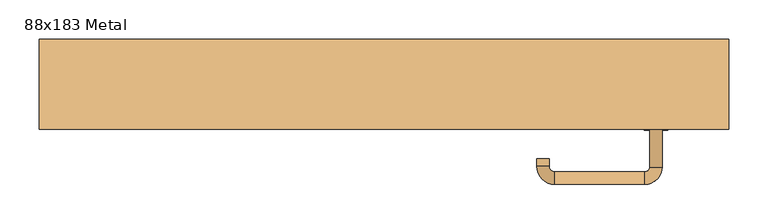
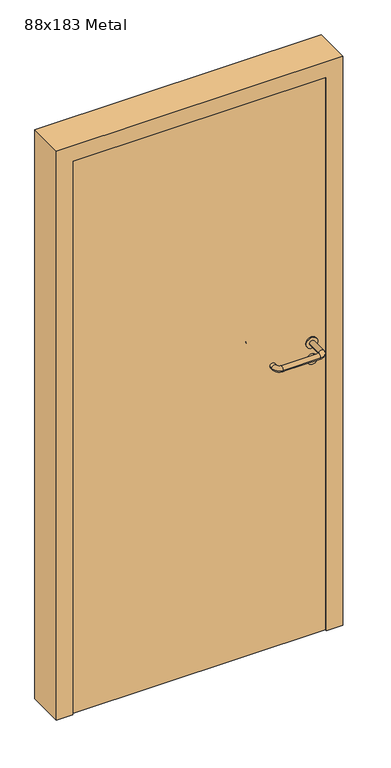
"""IFC4 building model written with IfcOpenShell, lengths in millimetres: door geometry, 88x183 Metal."""

from ifc_helpers import new_model, si_unit, point, frame, frame_2d, origin, origin_with_axes, place, context, project, spatial, polyline, circle_curve, ellipse_curve, trimmed, segment, composite_curve, outline, extrude, source, transform, mapped, element, save
from ifc_brep_helpers import plane_surface, cylinder_surface, revolved_surface, advanced_brep


def door_88x183_metal_ad55a6d1(model_context):
    return source(origin(), model_context, "Body", "SolidModel", [
        extrude(outline(composite_curve([segment(trimmed(circle_curve(frame_2d((897.3605726, 347.0)), 15.0), [point((897.3605726, 362.0))], [point((897.3605726, 332.0))], False, "CARTESIAN"), True, "CONTINUOUS"), segment(trimmed(circle_curve(frame_2d((897.3605726, 347.0)), 15.0), [point((897.3605726, 332.0))], [point((897.3605726, 362.0))], False, "CARTESIAN"), True, "CONTINUOUS")], self_intersect=False), holes=[composite_curve([segment(trimmed(circle_curve(frame_2d((892.5833211, 346.9398032)), 2.0), [point((892.5833211, 348.9398032))], [point((892.5833211, 344.9398032))], True, "CARTESIAN"), True, "CONTINUOUS"), segment(polyline([(892.5833211, 344.9398032), (902.5833211, 344.9398032)]), True, "CONTINUOUS"), segment(trimmed(circle_curve(frame_2d((902.5833211, 346.9398032)), 2.0), [point((902.5833211, 344.9398032))], [point((902.5833211, 348.9398032))], True, "CARTESIAN"), True, "CONTINUOUS"), segment(polyline([(902.5833211, 348.9398032), (892.5833211, 348.9398032)]), True, "CONTINUOUS")], self_intersect=False)]), frame((0.0, -115.0, 0.0), z_axis=(0.0, 1.0, 0.0), x_axis=(0.0, 0.0, 1.0)), (0.0, 0.0, 1.0), 6.35),
        extrude(outline(composite_curve([segment(trimmed(circle_curve(frame_2d((950.0, 347.0)), 17.526), [point((950.0, 364.526))], [point((950.0, 329.474))], False, "CARTESIAN"), True, "CONTINUOUS"), segment(trimmed(circle_curve(frame_2d((950.0, 347.0)), 17.526), [point((950.0, 329.474))], [point((950.0, 364.526))], False, "CARTESIAN"), True, "CONTINUOUS")], self_intersect=False)), frame((0.0, -115.0, 0.0), z_axis=(0.0, 1.0, 0.0), x_axis=(0.0, 0.0, 1.0)), (0.0, 0.0, 1.0), 3.175),
        advanced_brep(
        [(355.0, -115.0, 950.0), (339.0, -115.0, 950.0), (355.0, -62.0, 950.0), (339.0, -62.0, 950.0), (332.8578644, -55.8578644, 950.0), (332.8578644, -39.8578644, 950.0), (217.8578644, -39.8578644, 950.0), (217.8578644, -55.8578644, 950.0), (211.008622, -62.7071068, 950.0), (195.008622, -62.7071068, 950.0), (195.008622, -72.7071068, 950.0), (211.008622, -72.7071068, 950.0)],
        [
            (0, 1, circle_curve(frame((347.0, -115.0, 950.0), z_axis=(0.0, -1.0, 0.0), x_axis=(-1.0, 0.0, 0.0)), 8.0)),
            (1, 0, circle_curve(frame((347.0, -115.0, 950.0), z_axis=(0.0, -1.0, 0.0), x_axis=(-1.0, 0.0, 0.0)), 8.0)),
            (0, 2),
            (2, 3, circle_curve(frame((347.0, -62.0, 950.0), z_axis=(0.0, -1.0, 0.0), x_axis=(-1.0, 0.0, 0.0)), 8.0)),
            (3, 1),
            (3, 2, circle_curve(frame((347.0, -62.0, 950.0), z_axis=(0.0, -1.0, 0.0), x_axis=(-1.0, 0.0, 0.0)), 8.0)),
            (4, 3, circle_curve(frame((332.8578644, -62.0, 950.0), z_axis=(0.0, 0.0, -1.0), x_axis=(1.0, 0.0, 0.0)), 6.1421356)),
            (2, 5, circle_curve(frame((332.8578644, -62.0, 950.0), z_axis=(0.0, 0.0, 1.0), x_axis=(1.0, 0.0, 0.0)), 22.1421356)),
            (5, 4, circle_curve(frame((332.8578644, -47.8578644, 950.0), z_axis=(1.0, 0.0, 0.0), x_axis=(0.0, -1.0, 0.0)), 8.0)),
            (4, 5, circle_curve(frame((332.8578644, -47.8578644, 950.0), z_axis=(1.0, 0.0, 0.0), x_axis=(0.0, -1.0, 0.0)), 8.0)),
            (5, 6),
            (6, 7, circle_curve(frame((217.8578644, -47.8578644, 950.0), z_axis=(1.0, 0.0, 0.0), x_axis=(0.0, -1.0, 0.0)), 8.0)),
            (7, 4),
            (7, 6, circle_curve(frame((217.8578644, -47.8578644, 950.0), z_axis=(1.0, 0.0, 0.0), x_axis=(0.0, -1.0, 0.0)), 8.0)),
            (8, 7, circle_curve(frame((217.8578644, -62.7071068, 950.0), z_axis=(0.0, 0.0, -1.0), x_axis=(0.0, 1.0, 0.0)), 6.8492424)),
            (6, 9, circle_curve(frame((217.8578644, -62.7071068, 950.0), z_axis=(0.0, 0.0, 1.0), x_axis=(0.0, 1.0, 0.0)), 22.8492424)),
            (9, 8, circle_curve(frame((203.008622, -62.7071068, 950.0), z_axis=(0.0, 1.0, 0.0), x_axis=(1.0, 0.0, 0.0)), 8.0)),
            (8, 9, circle_curve(frame((203.008622, -62.7071068, 950.0), z_axis=(0.0, 1.0, 0.0), x_axis=(1.0, 0.0, 0.0)), 8.0)),
            (10, 11, circle_curve(frame((203.008622, -72.7071068, 950.0), z_axis=(0.0, -1.0, 0.0), x_axis=(1.0, 0.0, 0.0)), 8.0)),
            (11, 10, circle_curve(frame((203.008622, -72.7071068, 950.0), z_axis=(0.0, -1.0, 0.0), x_axis=(1.0, 0.0, 0.0)), 8.0)),
            (9, 10),
            (11, 8),
        ],
        [
            plane_surface(frame((347.0, -115.0, 0.0), z_axis=(0.0, -1.0, 0.0), x_axis=(0.0, 0.0, 1.0))),
            cylinder_surface(frame((347.0, -115.0, 950.0), z_axis=(0.0, -1.0, 0.0), x_axis=(-1.0, 0.0, 0.0)), 8.0),
            revolved_surface(trimmed(ellipse_curve(frame((347.0, -62.0, 950.0), z_axis=(0.0, -1.0, 0.0), x_axis=(-1.0, 0.0, 0.0)), 8.0, 8.0), [point((355.0, -62.0, 950.0))], [point((339.0, -62.0, 950.0))], True, "CARTESIAN"), (332.8578644, -62.0, 0.0), (0.0, 0.0, 1.0)),
            revolved_surface(trimmed(ellipse_curve(frame((347.0, -62.0, 950.0), z_axis=(0.0, -1.0, 0.0), x_axis=(-1.0, 0.0, 0.0)), 8.0, 8.0), [point((339.0, -62.0, 950.0))], [point((355.0, -62.0, 950.0))], True, "CARTESIAN"), (332.8578644, -62.0, 0.0), (0.0, 0.0, 1.0)),
            cylinder_surface(frame((332.8578644, -47.8578644, 950.0), z_axis=(1.0, 0.0, 0.0), x_axis=(0.0, -1.0, 0.0)), 8.0),
            revolved_surface(trimmed(ellipse_curve(frame((217.8578644, -47.8578644, 950.0), z_axis=(1.0, 0.0, 0.0), x_axis=(0.0, -1.0, 0.0)), 8.0, 8.0), [point((217.8578644, -39.8578644, 950.0))], [point((217.8578644, -55.8578644, 950.0))], True, "CARTESIAN"), (217.8578644, -62.7071068, 0.0), (0.0, 0.0, 1.0)),
            revolved_surface(trimmed(ellipse_curve(frame((217.8578644, -47.8578644, 950.0), z_axis=(1.0, 0.0, 0.0), x_axis=(0.0, -1.0, 0.0)), 8.0, 8.0), [point((217.8578644, -55.8578644, 950.0))], [point((217.8578644, -39.8578644, 950.0))], True, "CARTESIAN"), (217.8578644, -62.7071068, 0.0), (0.0, 0.0, 1.0)),
            plane_surface(frame((203.008622, -72.7071068, 0.0), z_axis=(0.0, -1.0, 0.0), x_axis=(0.0, 0.0, 1.0))),
            cylinder_surface(frame((203.008622, -62.7071068, 950.0), z_axis=(0.0, 1.0, 0.0), x_axis=(1.0, 0.0, 0.0)), 8.0),
        ],
        [
            (0, [[1, 2]]),
            (1, [[-1, 3, 4, 5]]),
            (1, [[-2, -5, 6, -3]]),
            (2, [[7, -4, 8, 9]]),
            (3, [[-8, -6, -7, 10]]),
            (4, [[-9, 11, 12, 13]]),
            (4, [[-10, -13, 14, -11]]),
            (5, [[15, -12, 16, 17]]),
            (6, [[-16, -14, -15, 18]]),
            (7, [[19, 20]]),
            (8, [[-17, 21, -20, 22]]),
            (8, [[-18, -22, -19, -21]]),
        ],
    ),
        extrude(outline(composite_curve([segment(trimmed(circle_curve(frame_2d((0.0, 15.0)), 15.0), [point((0.0, 30.0))], [point((0.0, 0.0))], False, "CARTESIAN"), True, "CONTINUOUS"), segment(trimmed(circle_curve(frame_2d((0.0, 15.0)), 15.0), [point((0.0, 0.0))], [point((0.0, 30.0))], False, "CARTESIAN"), True, "CONTINUOUS")], self_intersect=False), holes=[composite_curve([segment(trimmed(circle_curve(frame_2d((-4.7772515, 14.9398032)), 2.0), [point((-4.7772515, 16.9398032))], [point((-4.7772515, 12.9398032))], True, "CARTESIAN"), True, "CONTINUOUS"), segment(polyline([(-4.7772515, 12.9398032), (5.2227485, 12.9398032)]), True, "CONTINUOUS"), segment(trimmed(circle_curve(frame_2d((5.2227485, 14.9398032)), 2.0), [point((5.2227485, 12.9398032))], [point((5.2227485, 16.9398032))], True, "CARTESIAN"), True, "CONTINUOUS"), segment(polyline([(5.2227485, 16.9398032), (-4.7772515, 16.9398032)]), True, "CONTINUOUS")], self_intersect=False)]), frame((332.0, -151.35, 897.3605726), z_axis=(-1.8870575173328306e-12, 1.0, 0.0), x_axis=(0.0, 0.0, 1.0)), (0.0, 0.0, 1.0), 6.35),
        extrude(outline(composite_curve([segment(trimmed(circle_curve(frame_2d((0.0, 17.526)), 17.526), [point((0.0, 35.052))], [point((0.0, 0.0))], False, "CARTESIAN"), True, "CONTINUOUS"), segment(trimmed(circle_curve(frame_2d((0.0, 17.526)), 17.526), [point((0.0, 0.0))], [point((0.0, 35.052))], False, "CARTESIAN"), True, "CONTINUOUS")], self_intersect=False)), frame((329.474, -148.175, 950.0), z_axis=(-1.8870575173328306e-12, 1.0, 0.0), x_axis=(0.0, 0.0, 1.0)), (0.0, 0.0, 1.0), 3.175),
        advanced_brep(
        [(355.0, -145.0, 950.0), (339.0, -145.0, 950.0), (339.0, -198.0, 950.0), (355.0, -198.0, 950.0), (332.8578644, -204.1421356, 950.0), (332.8578644, -220.1421356, 950.0), (217.8578644, -204.1421356, 950.0), (217.8578644, -220.1421356, 950.0), (211.008622, -197.2928932, 950.0), (195.008622, -197.2928932, 950.0), (195.008622, -187.2928932, 950.0), (211.008622, -187.2928932, 950.0)],
        [
            (0, 1, circle_curve(frame((347.0, -145.0, 950.0), z_axis=(-1.888672253512351e-12, 1.0, 0.0), x_axis=(-1.0, -1.888672253512351e-12, 0.0)), 8.0)),
            (1, 0, circle_curve(frame((347.0, -145.0, 950.0), z_axis=(-1.888672253512351e-12, 1.0, 0.0), x_axis=(-1.0, -1.888672253512351e-12, 0.0)), 8.0)),
            (1, 2),
            (2, 3, circle_curve(frame((347.0, -198.0, 950.0), z_axis=(-1.888672253512351e-12, 1.0, 0.0), x_axis=(-1.0, -1.888672253512351e-12, 0.0)), 8.0)),
            (3, 0),
            (3, 2, circle_curve(frame((347.0, -198.0, 950.0), z_axis=(-1.888672253512351e-12, 1.0, 0.0), x_axis=(-1.0, -1.888672253512351e-12, 0.0)), 8.0)),
            (4, 5, circle_curve(frame((332.8578644, -212.1421356, 950.0), z_axis=(1.0, 1.913702061528922e-12, 0.0), x_axis=(-1.913702061528922e-12, 1.0, 0.0)), 8.0)),
            (5, 3, circle_curve(frame((332.8578644, -198.0, 950.0), z_axis=(0.0, 0.0, 1.0), x_axis=(1.0, 1.880717803715015e-12, 0.0)), 22.1421356)),
            (2, 4, circle_curve(frame((332.8578644, -198.0, 950.0), z_axis=(0.0, 0.0, -1.0), x_axis=(1.0, 1.880717803715015e-12, 0.0)), 6.1421356)),
            (5, 4, circle_curve(frame((332.8578644, -212.1421356, 950.0), z_axis=(1.0, 1.913702061528922e-12, 0.0), x_axis=(-1.913702061528922e-12, 1.0, 0.0)), 8.0)),
            (4, 6),
            (6, 7, circle_curve(frame((217.8578644, -212.1421356, 950.0), z_axis=(1.0, 1.913719828541269e-12, 0.0), x_axis=(-1.913719828541269e-12, 1.0, 0.0)), 8.0)),
            (7, 5),
            (7, 6, circle_curve(frame((217.8578644, -212.1421356, 950.0), z_axis=(1.0, 1.913719828541269e-12, 0.0), x_axis=(-1.913719828541269e-12, 1.0, 0.0)), 8.0)),
            (8, 9, circle_curve(frame((203.008622, -197.2928932, 950.0), z_axis=(1.8888942981172756e-12, -1.0, 0.0), x_axis=(1.0, 1.8888942981172756e-12, 0.0)), 8.0)),
            (9, 7, circle_curve(frame((217.8578644, -197.2928932, 950.0), z_axis=(0.0, 0.0, 1.0), x_axis=(1.9120873253494017e-12, -1.0, 0.0)), 22.8492424)),
            (6, 8, circle_curve(frame((217.8578644, -197.2928932, 950.0), z_axis=(0.0, 0.0, -1.0), x_axis=(1.9120873253494017e-12, -1.0, 0.0)), 6.8492424)),
            (9, 8, circle_curve(frame((203.008622, -197.2928932, 950.0), z_axis=(1.890448610351751e-12, -1.0, 0.0), x_axis=(1.0, 1.890448610351751e-12, 0.0)), 8.0)),
            (10, 11, circle_curve(frame((203.008622, -187.2928932, 950.0), z_axis=(-1.8903642334018795e-12, 1.0, 0.0), x_axis=(1.0, 1.8903642334018795e-12, 0.0)), 8.0)),
            (11, 10, circle_curve(frame((203.008622, -187.2928932, 950.0), z_axis=(-1.8903642334018795e-12, 1.0, 0.0), x_axis=(1.0, 1.8903642334018795e-12, 0.0)), 8.0)),
            (8, 11),
            (10, 9),
        ],
        [
            plane_surface(frame((347.0, -145.0, 0.0), z_axis=(-1.8870575173328306e-12, 1.0, 0.0), x_axis=(0.0, 0.0, 1.0))),
            cylinder_surface(frame((347.0, -145.0, 950.0), z_axis=(-1.888672253512351e-12, 1.0, 0.0), x_axis=(-1.0, -1.888672253512351e-12, 0.0)), 8.0),
            revolved_surface(trimmed(ellipse_curve(frame((347.0, -198.0, 950.0), z_axis=(1.8823325398945356e-12, -1.0, 0.0), x_axis=(-1.0, -1.8823325398945356e-12, 0.0)), 8.0, 8.0), [point((355.0, -198.0, 950.0))], [point((339.0, -198.0, 950.0))], True, "CARTESIAN"), (332.8578644, -198.0, 0.0), (0.0, 0.0, 1.0)),
            revolved_surface(trimmed(ellipse_curve(frame((347.0, -198.0, 950.0), z_axis=(1.8823325398945356e-12, -1.0, 0.0), x_axis=(-1.0, -1.8823325398945356e-12, 0.0)), 8.0, 8.0), [point((339.0, -198.0, 950.0))], [point((355.0, -198.0, 950.0))], True, "CARTESIAN"), (332.8578644, -198.0, 0.0), (0.0, 0.0, 1.0)),
            cylinder_surface(frame((332.8578644, -212.1421356, 950.0), z_axis=(1.0, 1.913719828541269e-12, 0.0), x_axis=(-1.913719828541269e-12, 1.0, 0.0)), 8.0),
            revolved_surface(trimmed(ellipse_curve(frame((217.8578644, -212.1421356, 950.0), z_axis=(-1.0, -1.913702061528922e-12, 0.0), x_axis=(-1.913702061528922e-12, 1.0, 0.0)), 8.0, 8.0), [point((217.8578644, -220.1421356, 950.0))], [point((217.8578644, -204.1421356, 950.0))], True, "CARTESIAN"), (217.8578644, -197.2928932, 0.0), (0.0, 0.0, 1.0)),
            revolved_surface(trimmed(ellipse_curve(frame((217.8578644, -212.1421356, 950.0), z_axis=(-1.0, -1.913702061528922e-12, 0.0), x_axis=(-1.913702061528922e-12, 1.0, 0.0)), 8.0, 8.0), [point((217.8578644, -204.1421356, 950.0))], [point((217.8578644, -220.1421356, 950.0))], True, "CARTESIAN"), (217.8578644, -197.2928932, 0.0), (0.0, 0.0, 1.0)),
            plane_surface(frame((203.008622, -187.2928932, 0.0), z_axis=(-1.8887494972223595e-12, 1.0, 0.0), x_axis=(0.0, 0.0, 1.0))),
            cylinder_surface(frame((203.008622, -197.2928932, 950.0), z_axis=(1.8903642334018795e-12, -1.0, 0.0), x_axis=(1.0, 1.8903642334018795e-12, 0.0)), 8.0),
        ],
        [
            (0, [[1, 2]]),
            (1, [[3, 4, 5, -2]]),
            (1, [[-5, 6, -3, -1]]),
            (2, [[7, 8, -4, 9]]),
            (3, [[10, -9, -6, -8]]),
            (4, [[11, 12, 13, -7]]),
            (4, [[-13, 14, -11, -10]]),
            (5, [[15, 16, -12, 17]]),
            (6, [[18, -17, -14, -16]]),
            (7, [[19, 20]]),
            (8, [[21, -19, 22, -15]]),
            (8, [[-22, -20, -21, -18]]),
        ],
    ),
        extrude(outline(polyline([(1800.0, 390.0), (0.0, 390.0), (0.0, 440.0), (1850.0, 440.0), (1850.0, -440.0), (0.0, -440.0), (0.0, -390.0), (1800.0, -390.0), (1800.0, 390.0)])), frame((0.0, -150.0, 0.0), z_axis=(0.0, 1.0, 0.0), x_axis=(0.0, 0.0, 1.0)), (0.0, 0.0, 1.0), 115.0),
        extrude(outline(polyline([(-390.0, -145.0), (-390.0, -115.0), (390.0, -115.0), (390.0, -145.0), (-390.0, -145.0)])), origin_with_axes(), (0.0, 0.0, 1.0), 1800.0),
    ])


if __name__ == "__main__":
    model = new_model("IFC4")
    model_context = context("Model", 3, world=origin())
    ifc_project = project(units=[si_unit("LENGTHUNIT", "METRE", prefix="MILLI")], contexts=[model_context])
    site = spatial("IfcSite", under=ifc_project)
    building = spatial("IfcBuilding", under=site)
    placement = place(None, origin())
    door_88x183_metal_shape = door_88x183_metal_ad55a6d1(model_context)
    element("IfcDoor", 1, ObjectType="88x183 Metal", at=placement, inside=building, context=model_context, shape_type="MappedRepresentation", body=[
        mapped(door_88x183_metal_shape, transform((0.0, 0.0, 0.0), x_axis=(1.0, 0.0, 0.0), y_axis=(0.0, 1.0, 0.0), z_axis=(0.0, 0.0, 1.0))),
    ])
    save(model, "model.ifc")
